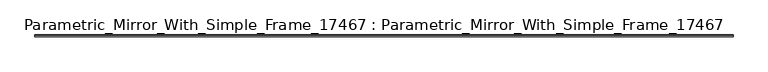
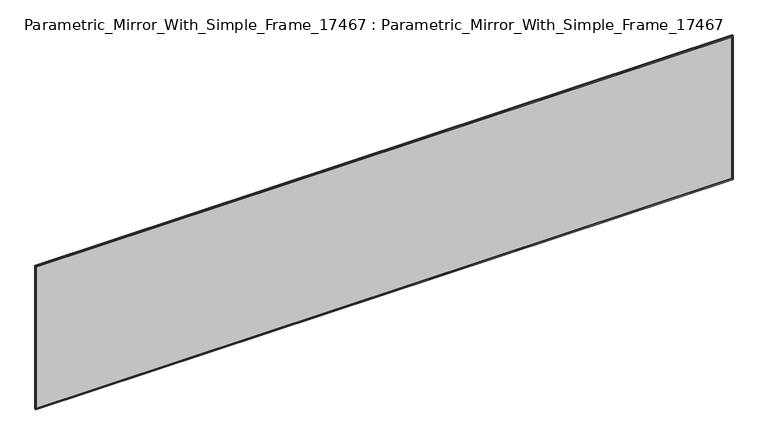
"""IFC4 building model written with IfcOpenShell, lengths in millimetres: proxy geometry, Parametric_Mirror_With_Simple_Frame_17467 : Parametric_Mirror_With_Simple_Frame_17467."""

from ifc_helpers import new_model, si_unit, frame, origin, place, context, project, spatial, polyline, outline, extrude, source, transform, mapped, element, save


def parametric_mirror_with_simple_frame_17467_parametric_mirror_9273dfea(model_context):
    return source(origin(), model_context, "Body", "SweptSolid", [
        extrude(outline(polyline([(1381.3081523, -42.5796875), (-3518.6918477, -42.5796875), (-3518.6918477, -40.0), (1381.3081523, -40.0), (1381.3081523, -42.5796875)])), frame((0.0, 0.0, 1016.0), z_axis=(0.0, 0.0, 1.0), x_axis=(1.0, 0.0, 0.0)), (0.0, 0.0, 1.0), 1066.8),
        extrude(outline(polyline([(2082.8, -3518.6918477), (1016.0, -3518.6918477), (1016.0, 1381.3081523), (2082.8, 1381.3081523), (2082.8, -3518.6918477)]), holes=[polyline([(1022.35, -3512.3418477), (2076.45, -3512.3418477), (2076.45, 1374.9581523), (1022.35, 1374.9581523), (1022.35, -3512.3418477)])]), frame((0.0, -52.7, 0.0), z_axis=(0.0, 1.0, 0.0), x_axis=(0.0, 0.0, 1.0)), (0.0, 0.0, 1.0), 6.35),
        extrude(outline(polyline([(1381.3081523, -46.35), (-3518.6918477, -46.35), (-3518.6918477, -40.0), (1381.3081523, -40.0), (1381.3081523, -46.35)])), frame((0.0, 0.0, 1016.0), z_axis=(0.0, 0.0, 1.0), x_axis=(1.0, 0.0, 0.0)), (0.0, 0.0, 1.0), 1066.8),
    ])


if __name__ == "__main__":
    model = new_model("IFC4")
    model_context = context("Model", 3, world=origin())
    ifc_project = project(units=[si_unit("LENGTHUNIT", "METRE", prefix="MILLI")], contexts=[model_context])
    site = spatial("IfcSite", under=ifc_project)
    building = spatial("IfcBuilding", under=site)
    placement = place(None, origin())
    parametric_mirror_with_simple_frame_17467_parametric_mirror_shape = parametric_mirror_with_simple_frame_17467_parametric_mirror_9273dfea(model_context)
    element("IfcBuildingElementProxy", 1, Name="Parametric_Mirror_With_Simple_Frame_17467 : Parametric_Mirror_With_Simple_Frame_17467", ObjectType="Parametric_Mirror_With_Simple_Frame_17467 : Parametric_Mirror_With_Simple_Frame_17467", at=placement, inside=building, context=model_context, shape_type="MappedRepresentation", body=[
        mapped(parametric_mirror_with_simple_frame_17467_parametric_mirror_shape, transform((0.0, 0.0, 0.0), x_axis=(1.0, 0.0, 0.0), y_axis=(0.0, 1.0, 0.0), z_axis=(0.0, 0.0, 1.0))),
    ])
    save(model, "model.ifc")
